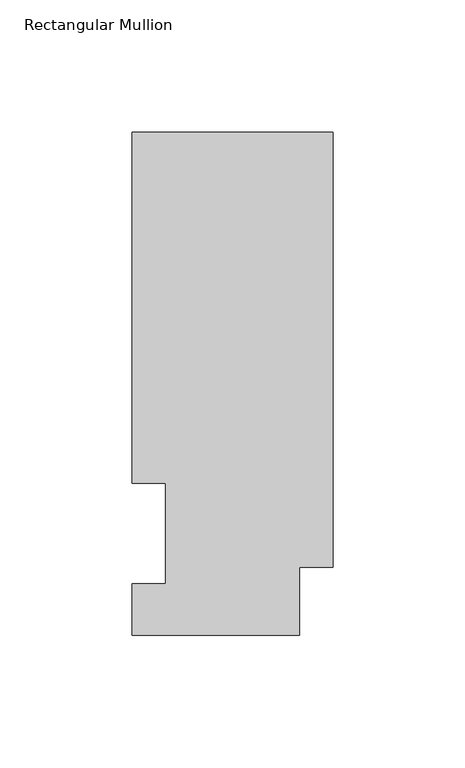
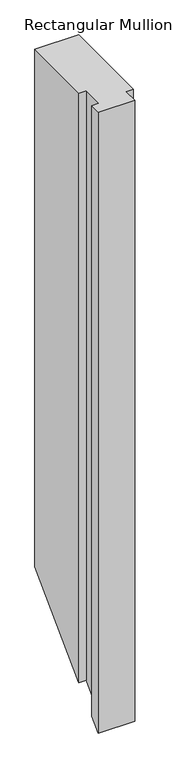
"""IFC4 building model written with IfcOpenShell, lengths in millimetres: member geometry, Rectangular Mullion."""

from ifc_helpers import new_model, si_unit, origin, place, context, project, spatial, faceted_brep, source, transform, mapped, element, save


def rectangular_mullion_dfe380b5(model_context):
    return source(origin(), model_context, "Body", "Brep", [
        faceted_brep([(-76.2, 0.0134937, 0.0), (-12.7, 0.0134937, 0.0), (-12.7, 25.8960937, 0.0), (0.0, 25.8960937, 0.0), (0.0, 190.5896937, 0.0), (-76.2, 190.5896937, 0.0), (-76.2, 57.6460937, 0.0), (-63.5127, 57.6460937, 0.0), (-63.5127, 19.5460937, 0.0), (-76.2, 19.5460937, 0.0), (-76.2, 0.0134937, -1143.0), (-12.7, 0.0134937, -1143.0), (-12.7, 25.8960937, -1117.1174), (0.0, 25.8960937, -1117.1174), (0.0, 190.5896937, -952.4238), (-76.2, 190.5896937, -952.4238), (-76.2, 57.6460937, -1085.3674), (-63.5127, 57.6460937, -1085.3674), (-63.5127, 19.5460937, -1123.4674), (-76.2, 19.5460937, -1123.4674)], [[[0, 1, 2, 3, 4, 5, 6, 7, 8, 9]], [[1, 0, 10, 11]], [[2, 1, 11, 12]], [[3, 2, 12, 13]], [[4, 3, 13, 14]], [[5, 4, 14, 15]], [[6, 5, 15, 16]], [[7, 6, 16, 17]], [[8, 7, 17, 18]], [[9, 8, 18, 19]], [[0, 9, 19, 10]], [[10, 19, 18, 17, 16, 15, 14, 13, 12, 11]]]),
    ])


if __name__ == "__main__":
    model = new_model("IFC4")
    model_context = context("Model", 3, world=origin())
    ifc_project = project(units=[si_unit("LENGTHUNIT", "METRE", prefix="MILLI")], contexts=[model_context])
    site = spatial("IfcSite", under=ifc_project)
    building = spatial("IfcBuilding", under=site)
    placement = place(None, origin())
    rectangular_mullion_shape = rectangular_mullion_dfe380b5(model_context)
    element("IfcMember", 1, ObjectType="Rectangular Mullion", at=placement, inside=building, context=model_context, shape_type="MappedRepresentation", body=[
        mapped(rectangular_mullion_shape, transform((0.0, 0.0, 0.0), x_axis=(1.0, 0.0, 0.0), y_axis=(0.0, 1.0, 0.0), z_axis=(0.0, 0.0, 1.0))),
    ])
    save(model, "model.ifc")
